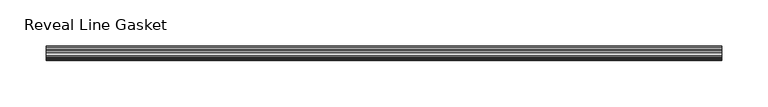
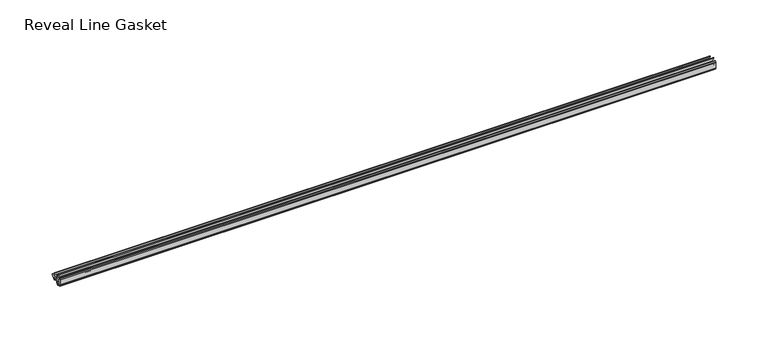
"""IFC4 building model written with IfcOpenShell, lengths in millimetres: furniture geometry, Reveal Line Gasket."""

from ifc_helpers import new_model, si_unit, point, frame, frame_2d, origin, place, context, project, spatial, polyline, circle_curve, trimmed, segment, composite_curve, outline, extrude, source, transform, mapped, element, save


def reveal_line_gasket_b4e3761f(model_context):
    return source(origin(), model_context, "Body", "SweptSolid", [
        extrude(outline(composite_curve([segment(polyline([(-7.6326998, 1603.2), (-7.4091917, 1604.1554927), (-6.8813059, 1605.0884684)]), True, "CONTINUOUS"), segment(trimmed(circle_curve(frame_2d((-6.5243141, 1604.8864793)), 0.4101739), [point((-6.8813059, 1605.0884684))], [point((-6.1246704, 1604.7941347))], False, "CARTESIAN"), True, "CONTINUOUS"), segment(polyline([(-6.1246704, 1604.7941347), (-6.3626997, 1603.0979086), (-6.3626997, 1601.0654527)]), True, "CONTINUOUS"), segment(trimmed(circle_curve(frame_2d((-5.6959605, 1601.4819258)), 0.786124), [point((-6.3626997, 1601.0654527))], [point((-5.0926996, 1600.977875))], True, "CARTESIAN"), True, "CONTINUOUS"), segment(polyline([(-5.0926996, 1600.977875), (-0.7492996, 1600.977875), (-3.7293824, 1606.1395295)]), True, "CONTINUOUS"), segment(trimmed(circle_curve(frame_2d((-3.3132479, 1606.2049761)), 0.4212495), [point((-3.7293824, 1606.1395295))], [point((-3.0485022, 1606.5326358))], False, "CARTESIAN"), True, "CONTINUOUS"), segment(polyline([(-3.0485022, 1606.5326358), (0.5742594, 1600.977875), (4.8262978, 1600.977875), (3.1660374, 1603.8535297)]), True, "CONTINUOUS"), segment(trimmed(circle_curve(frame_2d((3.5978728, 1603.9118855)), 0.4357605), [point((3.1660374, 1603.8535297))], [point((3.864328, 1604.2566881))], False, "CARTESIAN"), True, "CONTINUOUS"), segment(polyline([(3.864328, 1604.2566881), (6.1944059, 1600.977875), (7.6326998, 1600.977875), (7.6326998, 1599.422125), (6.1944059, 1599.422125), (3.864328, 1596.1433119)]), True, "CONTINUOUS"), segment(trimmed(circle_curve(frame_2d((3.5978728, 1596.4881145)), 0.4357605), [point((3.864328, 1596.1433119))], [point((3.1660374, 1596.5464703))], False, "CARTESIAN"), True, "CONTINUOUS"), segment(polyline([(3.1660374, 1596.5464703), (4.8262978, 1599.422125), (0.5742594, 1599.422125), (-3.0485022, 1593.8673642)]), True, "CONTINUOUS"), segment(trimmed(circle_curve(frame_2d((-3.3132479, 1594.1950239)), 0.4212495), [point((-3.0485022, 1593.8673642))], [point((-3.7293824, 1594.2604705))], False, "CARTESIAN"), True, "CONTINUOUS"), segment(polyline([(-3.7293824, 1594.2604705), (-0.7492996, 1599.422125), (-5.0926996, 1599.422125)]), True, "CONTINUOUS"), segment(trimmed(circle_curve(frame_2d((-5.6959605, 1598.9180742)), 0.786124), [point((-5.0926996, 1599.422125))], [point((-6.3626997, 1599.3345473))], True, "CARTESIAN"), True, "CONTINUOUS"), segment(polyline([(-6.3626997, 1599.3345473), (-6.3626997, 1597.3020914), (-6.1246704, 1595.6058653)]), True, "CONTINUOUS"), segment(trimmed(circle_curve(frame_2d((-6.5243141, 1595.5135207)), 0.4101739), [point((-6.1246704, 1595.6058653))], [point((-6.8813059, 1595.3115316))], False, "CARTESIAN"), True, "CONTINUOUS"), segment(polyline([(-6.8813059, 1595.3115316), (-7.4091917, 1596.2445073), (-7.6326998, 1597.2), (-7.6326998, 1603.2)]), True, "CONTINUOUS")], self_intersect=False)), frame((-363.2454, 0.0, 0.0), z_axis=(1.0, 0.0, 0.0), x_axis=(0.0, 1.0, 0.0)), (0.0, 0.0, 1.0), 726.4908),
    ])


if __name__ == "__main__":
    model = new_model("IFC4")
    model_context = context("Model", 3, world=origin())
    ifc_project = project(units=[si_unit("LENGTHUNIT", "METRE", prefix="MILLI")], contexts=[model_context])
    site = spatial("IfcSite", under=ifc_project)
    building = spatial("IfcBuilding", under=site)
    placement = place(None, origin())
    reveal_line_gasket_shape = reveal_line_gasket_b4e3761f(model_context)
    element("IfcFurniture", 1, ObjectType="Reveal Line Gasket", at=placement, inside=building, context=model_context, shape_type="MappedRepresentation", body=[
        mapped(reveal_line_gasket_shape, transform((0.0, 0.0, 0.0), x_axis=(1.0, 0.0, 0.0), y_axis=(0.0, 1.0, 0.0), z_axis=(0.0, 0.0, 1.0))),
    ])
    save(model, "model.ifc")
